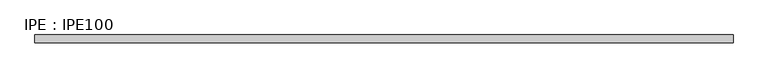
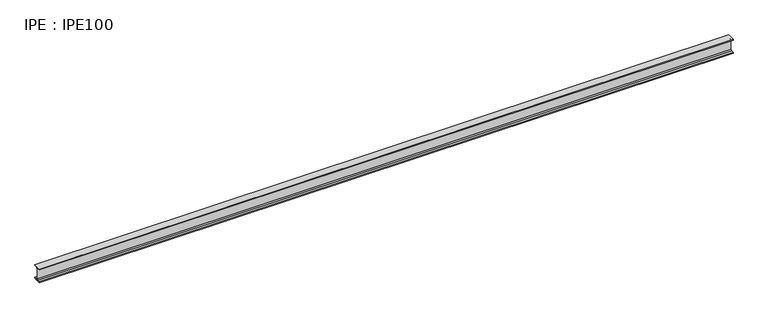
"""IFC4 building model written with IfcOpenShell, lengths in millimetres: beam geometry, IPE : IPE100."""

from ifc_helpers import new_model, si_unit, point, frame, frame_2d, origin, place, context, project, spatial, polyline, circle_curve, trimmed, segment, composite_curve, outline, extrude, source, transform, mapped, element, save


def ipe_ipe100_da3f2b21(model_context):
    return source(origin(), model_context, "Body", "SweptSolid", [
        extrude(outline(composite_curve([segment(polyline([(27.5, -44.3), (27.5, -50.0), (-27.5, -50.0), (-27.5, -44.3), (-9.05, -44.3)]), True, "CONTINUOUS"), segment(trimmed(circle_curve(frame_2d((-9.05, -37.3)), 7.0), [point((-9.05, -44.3))], [point((-2.05, -37.3))], True, "CARTESIAN"), True, "CONTINUOUS"), segment(polyline([(-2.05, -37.3), (-2.05, 37.3)]), True, "CONTINUOUS"), segment(trimmed(circle_curve(frame_2d((-9.05, 37.3)), 7.0), [point((-2.05, 37.3))], [point((-9.05, 44.3))], True, "CARTESIAN"), True, "CONTINUOUS"), segment(polyline([(-9.05, 44.3), (-27.5, 44.3), (-27.5, 50.0), (27.5, 50.0), (27.5, 44.3), (9.05, 44.3)]), True, "CONTINUOUS"), segment(trimmed(circle_curve(frame_2d((9.05, 37.3)), 7.0), [point((9.05, 44.3))], [point((2.05, 37.3))], True, "CARTESIAN"), True, "CONTINUOUS"), segment(polyline([(2.05, 37.3), (2.05, -37.3)]), True, "CONTINUOUS"), segment(trimmed(circle_curve(frame_2d((9.05, -37.3)), 7.0), [point((2.05, -37.3))], [point((9.05, -44.3))], True, "CARTESIAN"), True, "CONTINUOUS"), segment(polyline([(9.05, -44.3), (27.5, -44.3)]), True, "CONTINUOUS")], self_intersect=False)), frame((-2410.15, 0.0, 0.0), z_axis=(1.0, 0.0, 0.0), x_axis=(0.0, 1.0, 0.0)), (0.0, 0.0, 1.0), 4824.7),
    ])


if __name__ == "__main__":
    model = new_model("IFC4")
    model_context = context("Model", 3, world=origin())
    ifc_project = project(units=[si_unit("LENGTHUNIT", "METRE", prefix="MILLI")], contexts=[model_context])
    site = spatial("IfcSite", under=ifc_project)
    building = spatial("IfcBuilding", under=site)
    placement = place(None, origin())
    ipe_ipe100_shape = ipe_ipe100_da3f2b21(model_context)
    element("IfcBeam", 1, ObjectType="IPE : IPE100", at=placement, inside=building, context=model_context, shape_type="MappedRepresentation", body=[
        mapped(ipe_ipe100_shape, transform((0.0, 0.0, 0.0), x_axis=(1.0, 0.0, 0.0), y_axis=(0.0, 1.0, 0.0), z_axis=(0.0, 0.0, 1.0))),
    ])
    save(model, "model.ifc")
